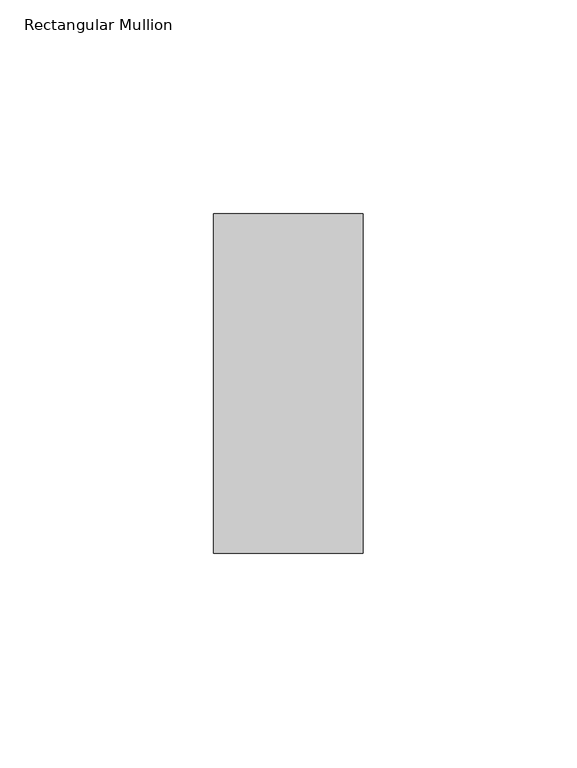
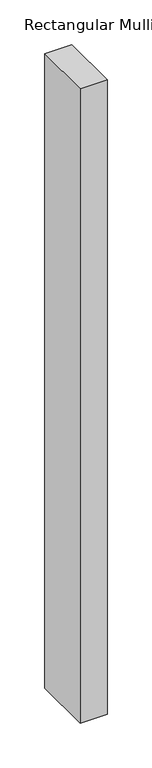
"""IFC4 building model written with IfcOpenShell, lengths in millimetres: member geometry, Rectangular Mullion."""

from ifc_helpers import new_model, si_unit, frame, origin, place, context, project, spatial, polyline, outline, extrude, source, transform, mapped, element, save


def rectangular_mullion_f1049d27(model_context):
    return source(origin(), model_context, "Body", "SweptSolid", [
        extrude(outline(polyline([(0.0, 44.45), (0.0, -34.925), (-34.925, -34.925), (-34.925, 44.45), (0.0, 44.45)])), frame((0.0, 0.0, -867.41), z_axis=(0.0, 0.0, 1.0), x_axis=(1.0, 0.0, 0.0)), (0.0, 0.0, 1.0), 867.41),
    ])


if __name__ == "__main__":
    model = new_model("IFC4")
    model_context = context("Model", 3, world=origin())
    ifc_project = project(units=[si_unit("LENGTHUNIT", "METRE", prefix="MILLI")], contexts=[model_context])
    site = spatial("IfcSite", under=ifc_project)
    building = spatial("IfcBuilding", under=site)
    placement = place(None, origin())
    rectangular_mullion_shape = rectangular_mullion_f1049d27(model_context)
    element("IfcMember", 1, ObjectType="Rectangular Mullion", at=placement, inside=building, context=model_context, shape_type="MappedRepresentation", body=[
        mapped(rectangular_mullion_shape, transform((0.0, 0.0, 0.0), x_axis=(1.0, 0.0, 0.0), y_axis=(0.0, 1.0, 0.0), z_axis=(0.0, 0.0, 1.0))),
    ])
    save(model, "model.ifc")
